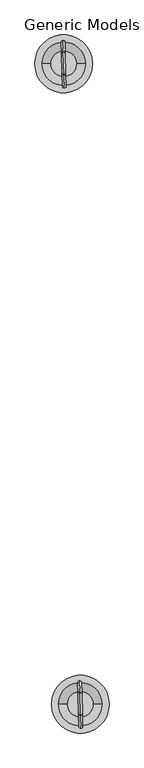
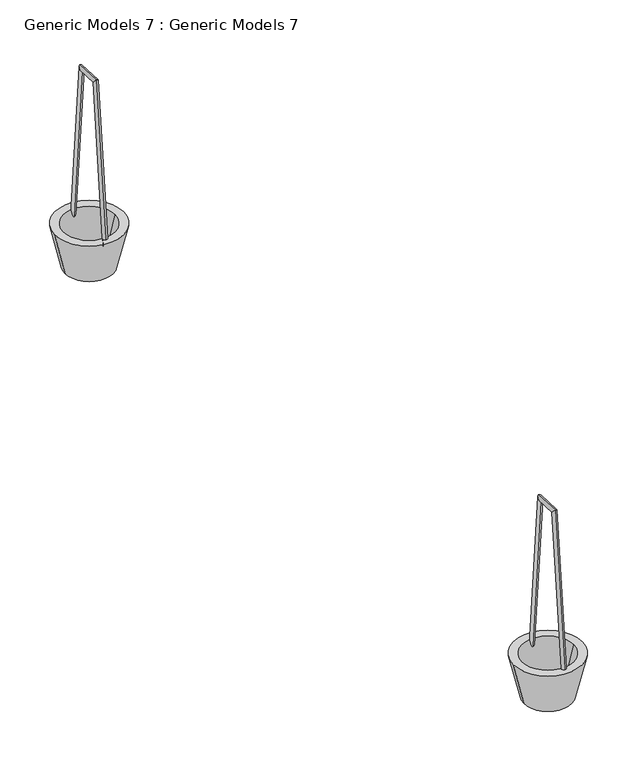
"""IFC4 building model written with IfcOpenShell, lengths in millimetres: proxy geometry, Generic Models 7 : Generic Models 7."""

from ifc_helpers import new_model, si_unit, point, frame, frame_2d, origin, place, context, project, spatial, polyline, circle_curve, ellipse_curve, trimmed, segment, composite_curve, outline, extrude, source, transform, mapped, element, save
from ifc_brep_helpers import plane_surface, cylinder_surface, revolved_surface, advanced_brep


def generic_models_7_generic_models_7_308b0c7b(model_context):
    return source(origin(), model_context, "Body", "SolidModel", [
        advanced_brep(
        [(-46521.1750115, 37373.4286485, 110184.1724369), (-46520.907696, 37363.4685104, 110183.3214426), (-46520.3404688, 37342.3337049, 110548.3734989), (-46520.0938824, 37333.145932, 110538.4761382), (-46518.7164457, 37281.8228382, 110549.0536411), (-46518.959271, 37290.8704743, 110538.9513144), (-46517.7428157, 37245.5455281, 110181.6136129), (-46518.0098055, 37255.4935269, 110180.6307407)],
        [
            (0, 1, circle_curve(frame((-46521.0413538, 37368.4485794, 110183.7469397), z_axis=(-0.0022831219670367406, 0.0850687952370229, -0.9963724642075398), x_axis=(0.026731553030702505, -0.9960138109000155, -0.08509942754798587)), 5.0)),
            (1, 0, circle_curve(frame((-46521.0413538, 37368.4485794, 110183.7469397), z_axis=(-0.0022831219670367406, 0.0850687952370229, -0.9963724642075398), x_axis=(0.026731553030702505, -0.9960138109000155, -0.08509942754798587)), 5.0)),
            (0, 2),
            (2, 3, ellipse_curve(frame((-46520.2171756, 37337.7398185, 110543.4248186), z_axis=(-0.019659357021792223, 0.7325048075075669, -0.6804779325296244), x_axis=(0.018256457894075553, -0.6802329883245547, -0.7327685742034848)), 6.7534014, 5.0)),
            (3, 1),
            (3, 2, ellipse_curve(frame((-46520.2171756, 37337.7398185, 110543.4248186), z_axis=(-0.019659357021792223, 0.7325048075075669, -0.6804779325296244), x_axis=(0.018256457894075553, -0.6802329883245547, -0.7327685742034848)), 6.7534014, 5.0)),
            (2, 4),
            (4, 5, ellipse_curve(frame((-46518.8378583, 37286.3466563, 110544.0024778), z_axis=(-0.019982216719185278, 0.7445345132724767, 0.6672848488922131), x_axis=(-0.0179025022925833, 0.6670446536572855, -0.7448026117293738)), 6.7818819, 5.0)),
            (5, 3),
            (5, 4, ellipse_curve(frame((-46518.8378583, 37286.3466563, 110544.0024778), z_axis=(-0.019982216719185278, 0.7445345132724767, 0.6672848488922131), x_axis=(-0.0179025022925833, 0.6670446536572855, -0.7448026117293738)), 6.7818819, 5.0)),
            (6, 7, circle_curve(frame((-46517.8763106, 37250.5195275, 110181.1221768), z_axis=(0.0026369355769152933, -0.09825183931741008, -0.9951580892710007), x_axis=(-0.02669897271641547, 0.9947998730887521, -0.09828721869343425)), 5.0)),
            (7, 6, circle_curve(frame((-46517.8763106, 37250.5195275, 110181.1221768), z_axis=(0.0026369355769152933, -0.09825183931741008, -0.9951580892710007), x_axis=(-0.02669897271641547, 0.9947998730887521, -0.09828721869343425)), 5.0)),
            (4, 6),
            (7, 5),
        ],
        [
            plane_surface(frame((-46700.2545612, 37366.928509, 110184.0278137), z_axis=(-0.0022831219670367423, 0.08506879523702295, -0.9963724642075399), x_axis=(0.9996400409280586, 0.026828875737712646, 0.0))),
            cylinder_surface(frame((-46521.0413538, 37368.4485794, 110183.7469397), z_axis=(-0.0022831219670367406, 0.0850687952370229, -0.9963724642075398), x_axis=(0.026731553030702505, -0.9960138109000155, -0.08509942754798587)), 5.0),
            cylinder_surface(frame((-46520.2975675, 37340.7352092, 110543.3911504), z_axis=(-0.02682718236969971, 0.9995769462809212, -0.011235245872325278), x_axis=(0.00030142901539102025, -0.011231201643648048, -0.9999368826331934)), 5.0),
            plane_surface(frame((-46696.9131685, 37242.4287, 110181.4465776), z_axis=(0.0026369355769152716, -0.09825183931740956, -0.9951580892710009), x_axis=(0.999640040928059, 0.026828875737695372, 0.0))),
            cylinder_surface(frame((-46518.8458339, 37286.6438244, 110547.0123888), z_axis=(-0.0026369355769152933, 0.09825183931741008, 0.9951580892710007), x_axis=(-0.02669897271641547, 0.9947998730887521, -0.09828721869343425)), 5.0),
        ],
        [
            (0, [[1, 2]]),
            (1, [[-1, 3, 4, 5]]),
            (1, [[-2, -5, 6, -3]]),
            (2, [[-4, 7, 8, 9]]),
            (2, [[-6, -9, 10, -7]]),
            (3, [[11, 12]]),
            (4, [[-8, 13, -12, 14]]),
            (4, [[-10, -14, -11, -13]]),
        ],
    ),
        extrude(outline(composite_curve([segment(trimmed(circle_curve(frame_2d((-46519.2128392, 37310.691612)), 33.4474789), [point((-46552.6603181, 37310.691612))], [point((-46485.7653604, 37310.691612))], False, "CARTESIAN"), True, "CONTINUOUS"), segment(trimmed(circle_curve(frame_2d((-46519.2128392, 37310.691612)), 33.4474789), [point((-46485.7653604, 37310.691612))], [point((-46552.6603181, 37310.691612))], False, "CARTESIAN"), True, "CONTINUOUS")], self_intersect=False)), frame((0.0, 0.0, 110100.6133319), z_axis=(0.0, 0.0, 1.0), x_axis=(1.0, 0.0, 0.0)), (0.0, 0.0, 1.0), 15.3953349),
        advanced_brep(
        [(-46443.4524611, 37310.691612, 110198.8009571), (-46594.9732173, 37310.691612, 110198.8009571), (-46572.1893485, 37310.691612, 110100.6133319), (-46466.2363299, 37310.691612, 110100.6133319), (-46485.7653604, 37310.691612, 110100.6133319), (-46552.6603181, 37310.691612, 110100.6133319), (-46575.98666, 37310.691612, 110198.8009571), (-46462.4390185, 37310.691612, 110198.8009571)],
        [
            (0, 1, circle_curve(frame((-46519.2128392, 37310.691612, 110198.8009571), z_axis=(0.0, 0.0, -1.0), x_axis=(-1.0, 0.0, 0.0)), 75.7603781)),
            (1, 2),
            (2, 3, circle_curve(frame((-46519.2128392, 37310.691612, 110100.6133319), z_axis=(0.0, 0.0, 1.0), x_axis=(-1.0, 0.0, 0.0)), 52.9765093)),
            (3, 0),
            (4, 5, circle_curve(frame((-46519.2128392, 37310.691612, 110100.6133319), z_axis=(0.0, 0.0, -1.0), x_axis=(-1.0, 0.0, 0.0)), 33.4474789)),
            (5, 6),
            (6, 7, circle_curve(frame((-46519.2128392, 37310.691612, 110198.8009571), z_axis=(0.0, 0.0, 1.0), x_axis=(-1.0, 0.0, 0.0)), 56.7738207)),
            (7, 4),
            (1, 0, circle_curve(frame((-46519.2128392, 37310.691612, 110198.8009571), z_axis=(0.0, 0.0, -1.0), x_axis=(1.0, 0.0, 0.0)), 75.7603781)),
            (3, 2, circle_curve(frame((-46519.2128392, 37310.691612, 110100.6133319), z_axis=(0.0, 0.0, 1.0), x_axis=(1.0, 0.0, 0.0)), 52.9765093)),
            (6, 7, circle_curve(frame((-46519.2128392, 37310.691612, 110198.8009571), z_axis=(0.0, 0.0, -1.0), x_axis=(1.0, 0.0, 0.0)), 56.7738207)),
            (5, 4, circle_curve(frame((-46519.2128392, 37310.691612, 110100.6133319), z_axis=(0.0, 0.0, -1.0), x_axis=(1.0, 0.0, 0.0)), 33.4474789)),
        ],
        [
            revolved_surface(polyline([(-46572.1893485, 37310.691612, 110100.6133319), (-46594.9732173, 37310.691612, 110198.8009571)]), (-46519.2128392, 37310.691612, 110820.0), (0.0, 0.0, 1.0)),
            revolved_surface(polyline([(-46575.98666, 37310.691612, 110198.8009571), (-46552.6603181, 37310.691612, 110100.6133319)]), (-46519.2128392, 37310.691612, 110820.0), (0.0, 0.0, 1.0)),
            revolved_surface(polyline([(-46466.2363299, 37310.691612, 110100.6133319), (-46443.4524611, 37310.691612, 110198.8009571)]), (-46519.2128392, 37310.691612, 110820.0), (0.0, 0.0, 1.0)),
            plane_surface(frame((-46519.2128392, 37310.691612, 110198.8009571), z_axis=(0.0, 0.0, 1.0), x_axis=(1.0, 0.0, 0.0))),
            revolved_surface(polyline([(-46462.4390185, 37310.691612, 110198.8009571), (-46485.7653604, 37310.691612, 110100.6133319)]), (-46519.2128392, 37310.691612, 110820.0), (0.0, 0.0, 1.0)),
            plane_surface(frame((-46519.2128392, 37310.691612, 110100.6133319), z_axis=(0.0, 0.0, -1.0), x_axis=(1.0, 0.0, 0.0))),
        ],
        [
            (0, [[1, 2, 3, 4]]),
            (1, [[5, 6, 7, 8]]),
            (2, [[9, -4, 10, -2]]),
            (3, [[-9, -1], [11, -7]]),
            (4, [[12, -8, -11, -6]]),
            (5, [[-10, -3], [-12, -5]]),
        ],
    ),
        advanced_brep(
        [(-46477.7885482, 35701.5002937, 110184.1724369), (-46477.5212327, 35691.5401555, 110183.3214426), (-46476.9540054, 35670.4053501, 110548.3734989), (-46476.7074191, 35661.2175772, 110538.4761382), (-46475.3299823, 35609.8944834, 110549.0536411), (-46475.5728076, 35618.9421195, 110538.9513144), (-46474.3563524, 35573.6171733, 110181.6136129), (-46474.6233421, 35583.565172, 110180.6307407)],
        [
            (0, 1, circle_curve(frame((-46477.6548904, 35696.5202246, 110183.7469397), z_axis=(-0.002283121967036742, 0.0850687952370232, -0.9963724642075398), x_axis=(0.026731553030702508, -0.9960138109000155, -0.08509942754798616)), 5.0)),
            (1, 0, circle_curve(frame((-46477.6548904, 35696.5202246, 110183.7469397), z_axis=(-0.002283121967036742, 0.0850687952370232, -0.9963724642075398), x_axis=(0.026731553030702508, -0.9960138109000155, -0.08509942754798616)), 5.0)),
            (0, 2),
            (2, 3, ellipse_curve(frame((-46476.8307122, 35665.8114636, 110543.4248186), z_axis=(-0.01965935702179222, 0.732504807507567, -0.6804779325296242), x_axis=(0.018256457894075543, -0.6802329883245545, -0.7327685742034851)), 6.7534014, 5.0)),
            (3, 1),
            (3, 2, ellipse_curve(frame((-46476.8307122, 35665.8114636, 110543.4248186), z_axis=(-0.01965935702179222, 0.732504807507567, -0.6804779325296242), x_axis=(0.018256457894075543, -0.6802329883245545, -0.7327685742034851)), 6.7534014, 5.0)),
            (2, 4),
            (4, 5, ellipse_curve(frame((-46475.451395, 35614.4183015, 110544.0024778), z_axis=(-0.01998221671918528, 0.7445345132724767, 0.6672848488922131), x_axis=(-0.017902502292583295, 0.6670446536572854, -0.7448026117293739)), 6.7818819, 5.0)),
            (5, 3),
            (5, 4, ellipse_curve(frame((-46475.451395, 35614.4183015, 110544.0024778), z_axis=(-0.01998221671918528, 0.7445345132724767, 0.6672848488922131), x_axis=(-0.017902502292583295, 0.6670446536572854, -0.7448026117293739)), 6.7818819, 5.0)),
            (6, 7, circle_curve(frame((-46474.4898473, 35578.5911727, 110181.1221768), z_axis=(0.0026369355769152894, -0.09825183931741008, -0.9951580892710007), x_axis=(-0.02669897271641547, 0.9947998730887521, -0.09828721869343425)), 5.0)),
            (7, 6, circle_curve(frame((-46474.4898473, 35578.5911727, 110181.1221768), z_axis=(0.0026369355769152894, -0.09825183931741008, -0.9951580892710007), x_axis=(-0.02669897271641547, 0.9947998730887521, -0.09828721869343425)), 5.0)),
            (4, 6),
            (7, 5),
        ],
        [
            plane_surface(frame((-46656.8680978, 35695.0001542, 110184.0278137), z_axis=(-0.0022831219670367423, 0.0850687952370232, -0.9963724642075399), x_axis=(0.9996400409280586, 0.02682887573771265, 0.0))),
            cylinder_surface(frame((-46477.6548904, 35696.5202246, 110183.7469397), z_axis=(-0.002283121967036742, 0.0850687952370232, -0.9963724642075398), x_axis=(0.026731553030702508, -0.9960138109000155, -0.08509942754798616)), 5.0),
            cylinder_surface(frame((-46476.9111041, 35668.8068544, 110543.3911504), z_axis=(-0.02682718236969971, 0.9995769462809211, -0.011235245872325222), x_axis=(0.0003014290153910185, -0.011231201643647992, -0.9999368826331932)), 5.0),
            plane_surface(frame((-46653.5267052, 35570.5003451, 110181.4465776), z_axis=(0.0026369355769152707, -0.09825183931740963, -0.9951580892710007), x_axis=(0.9996400409280589, 0.026828875737695376, 0.0))),
            cylinder_surface(frame((-46475.4593705, 35614.7154696, 110547.0123888), z_axis=(-0.0026369355769152894, 0.09825183931741008, 0.9951580892710007), x_axis=(-0.02669897271641547, 0.9947998730887521, -0.09828721869343425)), 5.0),
        ],
        [
            (0, [[1, 2]]),
            (1, [[-1, 3, 4, 5]]),
            (1, [[-2, -5, 6, -3]]),
            (2, [[-4, 7, 8, 9]]),
            (2, [[-6, -9, 10, -7]]),
            (3, [[11, 12]]),
            (4, [[-8, 13, -12, 14]]),
            (4, [[-10, -14, -11, -13]]),
        ],
    ),
        extrude(outline(composite_curve([segment(trimmed(circle_curve(frame_2d((-46475.8263759, 35638.7632572)), 33.4474789), [point((-46509.2738547, 35638.7632572))], [point((-46442.378897, 35638.7632572))], False, "CARTESIAN"), True, "CONTINUOUS"), segment(trimmed(circle_curve(frame_2d((-46475.8263759, 35638.7632572)), 33.4474789), [point((-46442.378897, 35638.7632572))], [point((-46509.2738547, 35638.7632572))], False, "CARTESIAN"), True, "CONTINUOUS")], self_intersect=False)), frame((0.0, 0.0, 110100.6133319), z_axis=(0.0, 0.0, 1.0), x_axis=(1.0, 0.0, 0.0)), (0.0, 0.0, 1.0), 15.3953349),
        advanced_brep(
        [(-46400.0659978, 35638.7632572, 110198.8009571), (-46551.586754, 35638.7632572, 110198.8009571), (-46528.8028852, 35638.7632572, 110100.6133319), (-46422.8498666, 35638.7632572, 110100.6133319), (-46442.378897, 35638.7632572, 110100.6133319), (-46509.2738547, 35638.7632572, 110100.6133319), (-46532.6001966, 35638.7632572, 110198.8009571), (-46419.0525551, 35638.7632572, 110198.8009571)],
        [
            (0, 1, circle_curve(frame((-46475.8263759, 35638.7632572, 110198.8009571), z_axis=(0.0, 0.0, -1.0), x_axis=(-1.0, 0.0, 0.0)), 75.7603781)),
            (1, 2),
            (2, 3, circle_curve(frame((-46475.8263759, 35638.7632572, 110100.6133319), z_axis=(0.0, 0.0, 1.0), x_axis=(-1.0, 0.0, 0.0)), 52.9765093)),
            (3, 0),
            (4, 5, circle_curve(frame((-46475.8263759, 35638.7632572, 110100.6133319), z_axis=(0.0, 0.0, -1.0), x_axis=(-1.0, 0.0, 0.0)), 33.4474789)),
            (5, 6),
            (6, 7, circle_curve(frame((-46475.8263759, 35638.7632572, 110198.8009571), z_axis=(0.0, 0.0, 1.0), x_axis=(-1.0, 0.0, 0.0)), 56.7738207)),
            (7, 4),
            (1, 0, circle_curve(frame((-46475.8263759, 35638.7632572, 110198.8009571), z_axis=(0.0, 0.0, -1.0), x_axis=(1.0, 0.0, 0.0)), 75.7603781)),
            (3, 2, circle_curve(frame((-46475.8263759, 35638.7632572, 110100.6133319), z_axis=(0.0, 0.0, 1.0), x_axis=(1.0, 0.0, 0.0)), 52.9765093)),
            (6, 7, circle_curve(frame((-46475.8263759, 35638.7632572, 110198.8009571), z_axis=(0.0, 0.0, -1.0), x_axis=(1.0, 0.0, 0.0)), 56.7738207)),
            (5, 4, circle_curve(frame((-46475.8263759, 35638.7632572, 110100.6133319), z_axis=(0.0, 0.0, -1.0), x_axis=(1.0, 0.0, 0.0)), 33.4474789)),
        ],
        [
            revolved_surface(polyline([(-46528.8028852, 35638.7632572, 110100.6133319), (-46551.586754, 35638.7632572, 110198.8009571)]), (-46475.8263759, 35638.7632572, 110820.0), (0.0, 0.0, 1.0)),
            revolved_surface(polyline([(-46532.6001966, 35638.7632572, 110198.8009571), (-46509.2738547, 35638.7632572, 110100.6133319)]), (-46475.8263759, 35638.7632572, 110820.0), (0.0, 0.0, 1.0)),
            revolved_surface(polyline([(-46422.8498666, 35638.7632572, 110100.6133319), (-46400.0659978, 35638.7632572, 110198.8009571)]), (-46475.8263759, 35638.7632572, 110820.0), (0.0, 0.0, 1.0)),
            plane_surface(frame((-46475.8263759, 35638.7632572, 110198.8009571), z_axis=(0.0, 0.0, 1.0), x_axis=(1.0, 0.0, 0.0))),
            revolved_surface(polyline([(-46419.0525551, 35638.7632572, 110198.8009571), (-46442.378897, 35638.7632572, 110100.6133319)]), (-46475.8263759, 35638.7632572, 110820.0), (0.0, 0.0, 1.0)),
            plane_surface(frame((-46475.8263759, 35638.7632572, 110100.6133319), z_axis=(0.0, 0.0, -1.0), x_axis=(1.0, 0.0, 0.0))),
        ],
        [
            (0, [[1, 2, 3, 4]]),
            (1, [[5, 6, 7, 8]]),
            (2, [[9, -4, 10, -2]]),
            (3, [[-9, -1], [11, -7]]),
            (4, [[12, -8, -11, -6]]),
            (5, [[-10, -3], [-12, -5]]),
        ],
    ),
    ])


if __name__ == "__main__":
    model = new_model("IFC4")
    model_context = context("Model", 3, world=origin())
    ifc_project = project(units=[si_unit("LENGTHUNIT", "METRE", prefix="MILLI")], contexts=[model_context])
    site = spatial("IfcSite", under=ifc_project)
    building = spatial("IfcBuilding", under=site)
    placement = place(None, origin())
    generic_models_7_generic_models_7_shape = generic_models_7_generic_models_7_308b0c7b(model_context)
    element("IfcBuildingElementProxy", 1, Name="Generic Models 7 : Generic Models 7", ObjectType="Generic Models 7 : Generic Models 7", at=placement, inside=building, context=model_context, shape_type="MappedRepresentation", body=[
        mapped(generic_models_7_generic_models_7_shape, transform((0.0, 0.0, 0.0), x_axis=(1.0, 0.0, 0.0), y_axis=(0.0, 1.0, 0.0), z_axis=(0.0, 0.0, 1.0))),
    ])
    save(model, "model.ifc")
